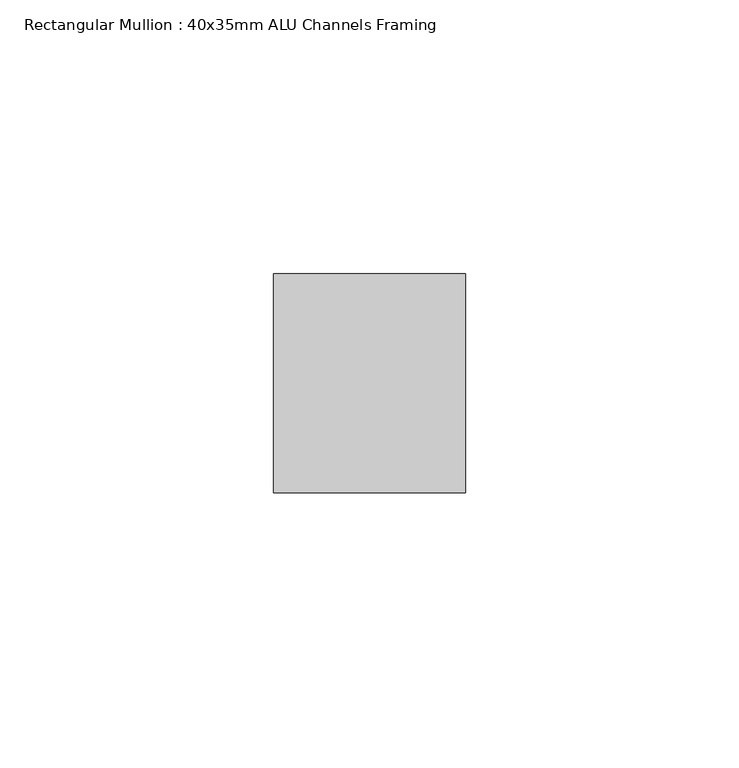
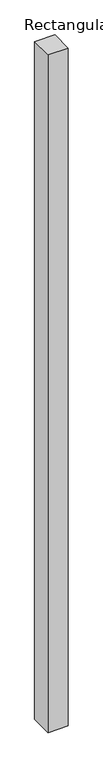
"""IFC4 building model written with IfcOpenShell, lengths in millimetres: member geometry, Rectangular Mullion : 40x35mm ALU Channels Framing."""

from ifc_helpers import new_model, si_unit, frame, origin, place, context, project, spatial, polyline, outline, extrude, source, transform, mapped, element, save


def rectangular_mullion_40x35mm_alu_channels_framing_d0ab651f(model_context):
    return source(origin(), model_context, "Body", "SweptSolid", [
        extrude(outline(polyline([(0.0, 20.0), (0.0, -20.0), (-35.0, -20.0), (-35.0, 20.0), (0.0, 20.0)])), frame((0.0, 0.0, -1247.5), z_axis=(0.0, 0.0, 1.0), x_axis=(1.0, 0.0, 0.0)), (0.0, 0.0, 1.0), 1247.5),
    ])


if __name__ == "__main__":
    model = new_model("IFC4")
    model_context = context("Model", 3, world=origin())
    ifc_project = project(units=[si_unit("LENGTHUNIT", "METRE", prefix="MILLI")], contexts=[model_context])
    site = spatial("IfcSite", under=ifc_project)
    building = spatial("IfcBuilding", under=site)
    placement = place(None, origin())
    rectangular_mullion_40x35mm_alu_channels_framing_shape = rectangular_mullion_40x35mm_alu_channels_framing_d0ab651f(model_context)
    element("IfcMember", 1, ObjectType="Rectangular Mullion : 40x35mm ALU Channels Framing", at=placement, inside=building, context=model_context, shape_type="MappedRepresentation", body=[
        mapped(rectangular_mullion_40x35mm_alu_channels_framing_shape, transform((0.0, 0.0, 0.0), x_axis=(1.0, 0.0, 0.0), y_axis=(0.0, 1.0, 0.0), z_axis=(0.0, 0.0, 1.0))),
    ])
    save(model, "model.ifc")
